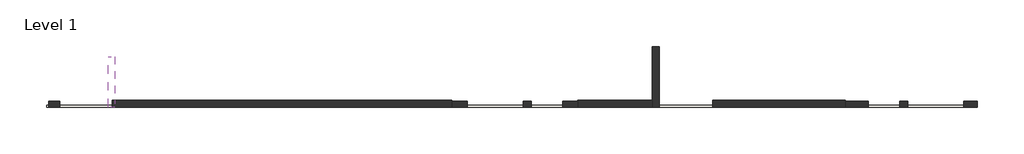
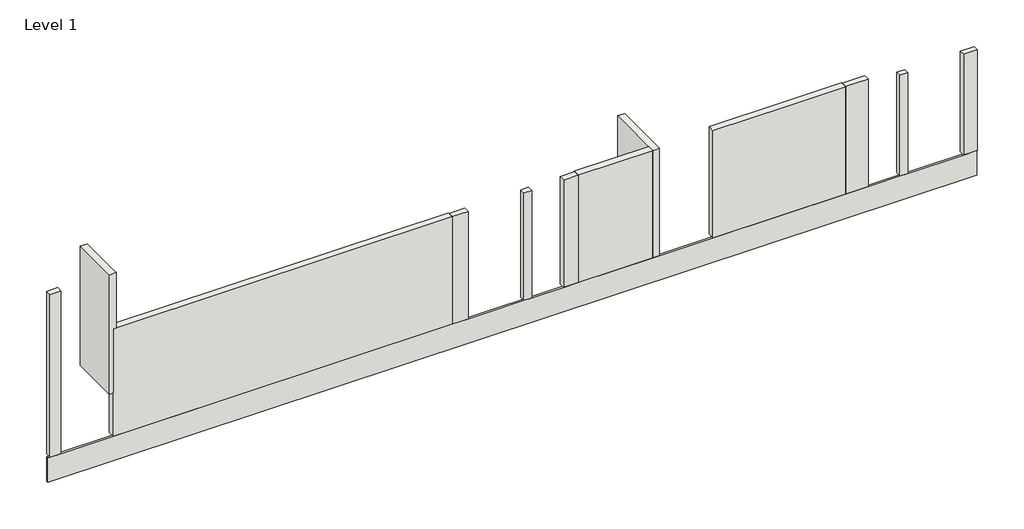
# One storey: 13 walls.
"""IFC4 building model written with IfcOpenShell, lengths in millimetres."""

from ifc_helpers import new_model, si_unit, origin, origin_with_axes, place, context, project, spatial, polyline, outline, extrude, faceted_brep, element, save

model = new_model("IFC4")

# Units and contexts
model_context = context("Model", 3, world=origin())
ifc_project = project(units=[si_unit("LENGTHUNIT", "METRE", prefix="MILLI")], contexts=[model_context])

# Site, building, storey
site = spatial("IfcSite", under=ifc_project)
building = spatial("IfcBuilding", under=site)
storey = spatial("IfcBuildingStorey", under=building, Name="Level 1", Elevation=0.0)

# Walls
placement = place(None, origin())
element("IfcWall", 1, at=placement, inside=storey, context=model_context, shape_type="Brep", body=[
    faceted_brep([(36702.815006, 5697.9134915, 0.0), (30022.8220227, 5697.9134915, 0.0), (30022.8220227, 5697.9134915, 5720.0), (33762.4888823, 5697.9134915, 5720.0), (36702.815006, 5697.9134915, 5720.0), (36702.815006, 5357.9134915, 0.0), (36702.815006, 5357.9134915, 5720.0), (33762.4888823, 5357.9134915, 5720.0), (30022.8220227, 5357.9134915, 5720.0), (30022.8220227, 5357.9134915, 0.0), (36702.815006, 5647.9134915, 0.0), (36702.815006, 5647.9134915, 5720.0)], [[[0, 1, 2, 3, 4]], [[5, 6, 7, 8, 9]], [[1, 0, 10, 5, 9]], [[2, 1, 9, 8]], [[4, 3, 2, 8, 7, 6, 11]], [[0, 4, 11, 6, 5, 10]]]),
])
element("IfcWall", 2, at=placement, inside=storey, context=model_context, shape_type="Brep", body=[
    faceted_brep([(16902.7995375, 5697.9134915, 0.0), (-166.2834917, 5697.9134915, 0.0), (-166.2834917, 5697.9134915, 2300.0), (-166.2834917, 5697.9134915, 5720.0), (-26.2834917, 5697.9134915, 5720.0), (16902.7995375, 5697.9134915, 5720.0), (16902.7995375, 5357.9134915, 0.0), (16902.7995375, 5357.9134915, 5720.0), (-26.2834917, 5357.9134915, 5720.0), (-166.2834917, 5357.9134915, 5720.0), (-166.2834917, 5357.9134915, 2300.0), (-166.2834917, 5357.9134915, 0.0), (16902.7995375, 5647.9134915, 0.0), (16902.7995375, 5647.9134915, 5720.0)], [[[0, 1, 2, 3, 4, 5]], [[6, 7, 8, 9, 10, 11]], [[1, 0, 12, 6, 11]], [[3, 2, 1, 11, 10, 9]], [[5, 4, 3, 9, 8, 7, 13]], [[0, 5, 13, 7, 6, 12]]]),
])
element("IfcWall", 3, at=placement, inside=storey, context=model_context, shape_type="SweptSolid", body=[
    extrude(outline(polyline([(16902.7995375, 5647.9134915), (17702.8025561, 5647.9134915), (17702.8025561, 5357.9134915), (16902.7995375, 5357.9134915), (16902.7995375, 5647.9134915)])), origin_with_axes(), (0.0, 0.0, 1.0), 5720.0),
])
element("IfcWall", 4, at=placement, inside=storey, context=model_context, shape_type="Brep", body=[
    faceted_brep([(36702.815006, 5357.9134915, 0.0), (37842.802561, 5357.9134915, 0.0), (37842.802561, 5357.9134915, 5720.0), (36748.481769, 5357.9134915, 5720.0), (36702.815006, 5357.9134915, 5720.0), (36702.815006, 5647.9134915, 0.0), (36702.815006, 5647.9134915, 5720.0), (37842.802561, 5647.9134915, 5720.0), (37842.802561, 5647.9134915, 0.0)], [[[0, 1, 2, 3, 4]], [[5, 6, 7, 8]], [[1, 0, 5, 8]], [[2, 1, 8, 7]], [[4, 3, 2, 7, 6]], [[0, 4, 6, 5]]]),
])
element("IfcWall", 5, at=placement, inside=storey, context=model_context, shape_type="Brep", body=[
    faceted_brep([(-26.2834917, 7891.9215915, 2300.0), (-26.2834917, 7891.9215915, 8670.0), (-26.2834917, 5697.9134915, 8670.0), (-26.2834917, 5357.9134915, 8670.0), (-26.2834917, 5357.9134915, 5720.0), (-26.2834917, 5697.9134915, 5720.0), (-26.2834917, 5697.9134915, 2300.0), (-366.2834917, 7891.9215915, 2300.0), (-366.2834917, 5357.9134915, 2300.0), (-366.2834917, 5357.9134915, 8670.0), (-366.2834917, 7891.9215915, 8670.0), (-166.2834917, 5697.9134915, 2300.0), (-166.2834917, 5357.9134915, 2300.0), (-166.2834917, 5357.9134915, 5720.0), (-166.2834917, 5697.9134915, 5720.0)], [[[0, 1, 2, 3, 4, 5, 6]], [[7, 8, 9, 10]], [[8, 7, 0, 6, 11, 12]], [[1, 0, 7, 10]], [[3, 2, 1, 10, 9]], [[3, 9, 8, 12, 13, 4]], [[5, 14, 11, 6]], [[14, 13, 12, 11]], [[13, 14, 5, 4]]]),
])
element("IfcWall", 6, at=placement, inside=storey, context=model_context, shape_type="Brep", body=[
    faceted_brep([(-2806.2326353, 5647.9134915, 0.0), (-3361.1612306, 5647.9134915, 0.0), (-3361.1612306, 5647.9134915, 8670.0), (-2806.2326353, 5647.9134915, 8670.0), (-2806.2326353, 5357.9134915, 0.0), (-2806.2326353, 5357.9134915, 8670.0), (-3336.1612306, 5357.9134915, 8670.0), (-3361.1612306, 5357.9134915, 8670.0), (-3361.1612306, 5357.9134915, 0.0)], [[[0, 1, 2, 3]], [[4, 5, 6, 7, 8]], [[1, 0, 4, 8]], [[2, 1, 8, 7]], [[3, 2, 7, 6, 5]], [[0, 3, 5, 4]]]),
])
element("IfcWall", 7, at=placement, inside=storey, context=model_context, shape_type="Brep", body=[
    faceted_brep([(27332.798293, 5357.9134915, 0.0), (27332.798293, 8407.9246208, 0.0), (27332.798293, 8407.9246208, 5720.0), (27332.798293, 5357.9134915, 5720.0), (26992.798293, 5357.9134915, 0.0), (26992.798293, 5357.9134915, 5720.0), (26992.798293, 5697.9134915, 5720.0), (26992.798293, 8407.9246208, 5720.0), (26992.798293, 8407.9246208, 0.0), (26992.798293, 5697.9134915, 0.0), (27162.798293, 5357.9134915, 5720.0)], [[[0, 1, 2, 3]], [[4, 5, 6, 7, 8, 9]], [[1, 0, 4, 9, 8]], [[2, 1, 8, 7]], [[3, 2, 7, 6, 5, 10]], [[0, 3, 10, 5, 4]]]),
])
element("IfcWall", 8, at=placement, inside=storey, context=model_context, shape_type="Brep", body=[
    faceted_brep([(26992.798293, 5697.9134915, 0.0), (23242.7995521, 5697.9134915, 0.0), (23242.7995521, 5697.9134915, 5720.0), (26992.798293, 5697.9134915, 5720.0), (26992.798293, 5357.9134915, 0.0), (26992.798293, 5357.9134915, 5720.0), (23242.7995521, 5357.9134915, 5720.0), (23242.7995521, 5357.9134915, 0.0), (23242.7995521, 5647.9134915, 0.0), (23242.7995521, 5647.9134915, 5720.0)], [[[0, 1, 2, 3]], [[4, 5, 6, 7]], [[1, 0, 4, 7, 8]], [[2, 1, 8, 7, 6, 9]], [[3, 2, 9, 6, 5]], [[0, 3, 5, 4]]]),
])
element("IfcWall", 9, at=placement, inside=storey, context=model_context, shape_type="SweptSolid", body=[
    extrude(outline(polyline([(39842.8164, 5357.9134915), (39442.8164, 5357.9134915), (39442.8164, 5647.9134915), (39842.8164, 5647.9134915), (39842.8164, 5357.9134915)])), origin_with_axes(), (0.0, 0.0, 1.0), 5360.0),
])
element("IfcWall", 10, at=placement, inside=storey, context=model_context, shape_type="Brep", body=[
    faceted_brep([(42642.8025565, 5357.9134915, 0.0), (43297.8646533, 5357.9134915, 0.0), (43342.8646533, 5357.9134915, 0.0), (43342.8646533, 5357.9134915, 5360.0), (42642.8025565, 5357.9134915, 5360.0), (42642.8025565, 5647.9134915, 0.0), (42642.8025565, 5647.9134915, 5360.0), (43342.8646533, 5647.9134915, 5360.0), (43342.8646533, 5647.9134915, 0.0)], [[[0, 1, 2, 3, 4]], [[5, 6, 7, 8]], [[2, 1, 0, 5, 8]], [[3, 2, 8, 7]], [[4, 3, 7, 6]], [[0, 4, 6, 5]]]),
])
element("IfcWall", 11, at=placement, inside=storey, context=model_context, shape_type="SweptSolid", body=[
    extrude(outline(polyline([(20902.8025561, 5357.9134915), (20502.8025561, 5357.9134915), (20502.8025561, 5647.9134915), (20902.8025561, 5647.9134915), (20902.8025561, 5357.9134915)])), origin_with_axes(), (0.0, 0.0, 1.0), 5720.0),
])
element("IfcWall", 12, at=placement, inside=storey, context=model_context, shape_type="SweptSolid", body=[
    extrude(outline(polyline([(23242.7995521, 5357.9134915), (22502.8025561, 5357.9134915), (22502.8025561, 5647.9134915), (23242.7995521, 5647.9134915), (23242.7995521, 5357.9134915)])), origin_with_axes(), (0.0, 0.0, 1.0), 5720.0),
])
element("IfcWall", 13, ObjectType="G3_Ext SPM 90", at=placement, inside=storey, context=model_context, shape_type="Brep", body=[
    faceted_brep([(-3461.1612306, 5357.9134915, -1300.0), (43297.8646533, 5357.9134915, -1300.0), (43297.8646533, 5357.9134915, 0.0), (42642.8025565, 5357.9134915, 0.0), (39842.8164, 5357.9134915, 0.0), (39442.8164, 5357.9134915, 0.0), (37842.802561, 5357.9134915, 0.0), (36702.815006, 5357.9134915, 0.0), (30022.8220227, 5357.9134915, 0.0), (26992.798293, 5357.9134915, 0.0), (23242.7995521, 5357.9134915, 0.0), (22502.8025561, 5357.9134915, 0.0), (20902.8025561, 5357.9134915, 0.0), (20502.8025561, 5357.9134915, 0.0), (17702.8025561, 5357.9134915, 0.0), (16902.7995375, 5357.9134915, 0.0), (-166.2834917, 5357.9134915, 0.0), (-2806.2326353, 5357.9134915, 0.0), (-3361.1612306, 5357.9134915, 0.0), (-3461.1612306, 5357.9134915, 0.0), (-3461.1612306, 5447.9134915, -1300.0), (-3461.1612306, 5447.9134915, 0.0), (43297.8646533, 5447.9134915, 0.0), (43297.8646533, 5447.9134915, -1300.0)], [[[0, 1, 2, 3, 4, 5, 6, 7, 8, 9, 10, 11, 12, 13, 14, 15, 16, 17, 18, 19]], [[20, 21, 22, 23]], [[1, 0, 20, 23]], [[2, 1, 23, 22]], [[19, 18, 17, 16, 15, 14, 13, 12, 11, 10, 9, 8, 7, 6, 5, 4, 3, 2, 22, 21]], [[0, 19, 21, 20]]]),
])

save(model, "model.ifc")
